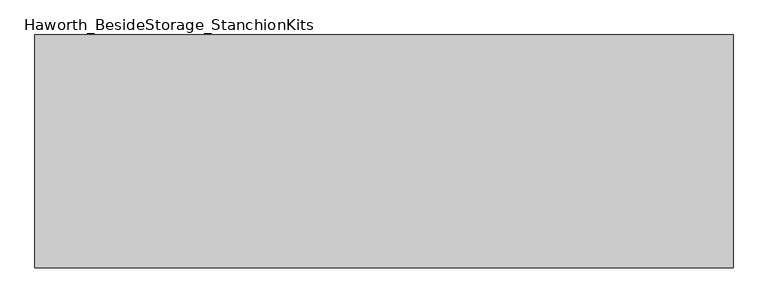
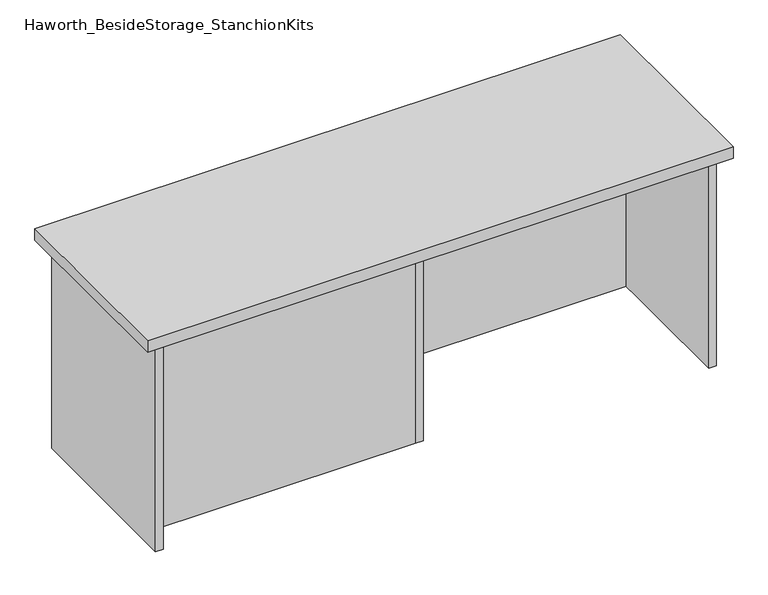
"""IFC4 building model written with IfcOpenShell, lengths in millimetres: furniture geometry, Haworth_BesideStorage_StanchionKits."""

from ifc_helpers import new_model, si_unit, frame, origin, place, context, project, spatial, polyline, outline, extrude, source, transform, mapped, element, save


def haworth_besidestorage_stanchionkits_cdccc660(model_context):
    return source(origin(), model_context, "Body", "SweptSolid", [
        extrude(outline(polyline([(771.525, 0.0), (771.525, -406.4), (-447.675, -406.4), (-447.675, 0.0), (771.525, 0.0)])), frame((0.0, 0.0, 889.0), z_axis=(0.0, 0.0, 1.0), x_axis=(1.0, 0.0, 0.0)), (0.0, 0.0, 1.0), 25.4),
        extrude(outline(polyline([(169.8625, -76.2), (730.25, -76.2), (730.25, -92.075), (169.8625, -92.075), (169.8625, -76.2)])), frame((0.0, 0.0, 431.8), z_axis=(0.0, 0.0, 1.0), x_axis=(1.0, 0.0, 0.0)), (0.0, 0.0, 1.0), 457.2),
        extrude(outline(polyline([(153.9875, -314.325), (153.9875, -330.2), (-406.4, -330.2), (-406.4, -314.325), (153.9875, -314.325)])), frame((0.0, 0.0, 431.8), z_axis=(0.0, 0.0, 1.0), x_axis=(1.0, 0.0, 0.0)), (0.0, 0.0, 1.0), 457.2),
        extrude(outline(polyline([(169.8625, -330.2), (153.9875, -330.2), (153.9875, -76.2), (169.8625, -76.2), (169.8625, -330.2)])), frame((0.0, 0.0, 431.8), z_axis=(0.0, 0.0, 1.0), x_axis=(1.0, 0.0, 0.0)), (0.0, 0.0, 1.0), 457.2),
        extrude(outline(polyline([(746.125, -390.525), (730.25, -390.525), (730.25, -15.875), (746.125, -15.875), (746.125, -390.525)])), frame((0.0, 0.0, 431.8), z_axis=(0.0, 0.0, 1.0), x_axis=(1.0, 0.0, 0.0)), (0.0, 0.0, 1.0), 457.2),
        extrude(outline(polyline([(-406.4, -390.525), (-422.275, -390.525), (-422.275, -15.875), (-406.4, -15.875), (-406.4, -390.525)])), frame((0.0, 0.0, 431.8), z_axis=(0.0, 0.0, 1.0), x_axis=(1.0, 0.0, 0.0)), (0.0, 0.0, 1.0), 457.2),
    ])


if __name__ == "__main__":
    model = new_model("IFC4")
    model_context = context("Model", 3, world=origin())
    ifc_project = project(units=[si_unit("LENGTHUNIT", "METRE", prefix="MILLI")], contexts=[model_context])
    site = spatial("IfcSite", under=ifc_project)
    building = spatial("IfcBuilding", under=site)
    placement = place(None, origin())
    haworth_besidestorage_stanchionkits_shape = haworth_besidestorage_stanchionkits_cdccc660(model_context)
    element("IfcFurniture", 1, ObjectType="Haworth_BesideStorage_StanchionKits", at=placement, inside=building, context=model_context, shape_type="MappedRepresentation", body=[
        mapped(haworth_besidestorage_stanchionkits_shape, transform((0.0, 0.0, 0.0), x_axis=(1.0, 0.0, 0.0), y_axis=(0.0, 1.0, 0.0), z_axis=(0.0, 0.0, 1.0))),
    ])
    save(model, "model.ifc")
